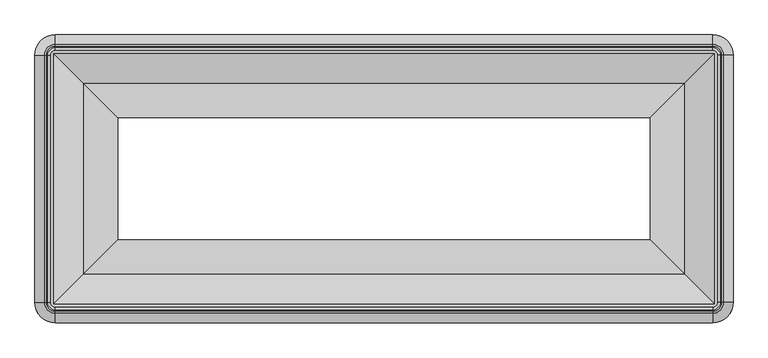
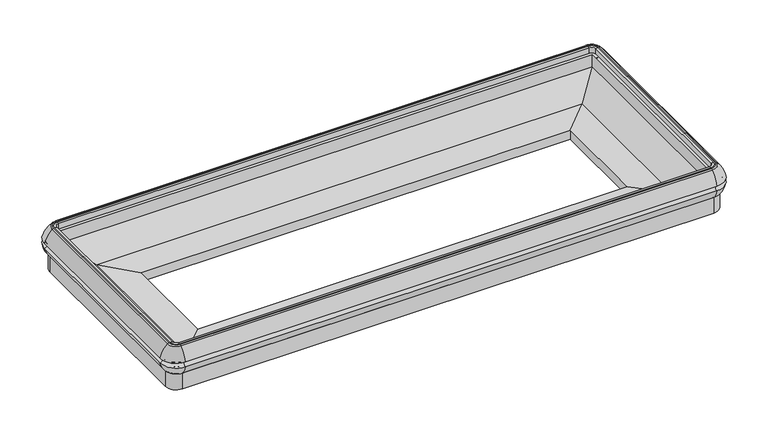
"""IFC4 building model written with IfcOpenShell, lengths in millimetres: proxy geometry."""

from ifc_helpers import new_model, si_unit, point, frame, origin, place, context, project, spatial, polyline, circle_curve, ellipse_curve, trimmed, faceted_brep, source, transform, mapped, element, save
from ifc_brep_helpers import plane_surface, cylinder_surface, revolved_surface, advanced_brep


def mechanical_equipment_985a748e(model_context):
    return source(origin(), model_context, "Body", "SolidModel", [
        advanced_brep(
        [(128.5372773, -1962.3625666, 567.3742005), (128.5372773, -1932.3707266, 504.5515988), (3773.5377227, -1932.3707266, 504.5515988), (3773.5377227, -1962.3625666, 567.3742005), (128.5372773, -1962.1829338, 602.1833335), (3773.5377227, -1962.1829338, 602.1833335), (128.5372773, -1911.1133562, 687.0906109), (3773.5377227, -1911.1133562, 687.0906109), (128.5372773, -1900.315694, 691.321886), (3773.5377227, -1900.315694, 691.321886), (128.5372773, -1877.2754027, 690.9584783), (128.5372773, -1890.77385, 691.321886), (3773.5377227, -1890.77385, 691.321886), (3773.5377227, -1877.2754027, 690.9584783), (128.5372773, -1877.2754027, 649.6873876), (3773.5377227, -1877.2754027, 649.6873876), (128.5372773, -1894.7830557, 530.05355), (128.5372773, -1894.7830557, 649.6873876), (3773.5377227, -1894.7830557, 649.6873876), (3773.5377227, -1894.7830557, 530.05355), (128.5372773, -1855.3824045, 502.405218), (3773.5377227, -1855.3824045, 502.405218), (128.5372773, -1927.6069109, 502.4019738), (3773.5377227, -1927.6069109, 502.4019738), (3886.6554393, -1849.24485, 567.3742005), (3856.6635993, -1849.24485, 504.5515988), (3886.4758065, -1849.24485, 602.1833335), (3835.4062289, -1849.24485, 687.0906109), (3824.6085667, -1849.24485, 691.321886), (3801.5682754, -1849.24485, 690.9584783), (3815.0667227, -1849.24485, 691.321886), (3801.5682754, -1849.24485, 649.6873876), (3819.0759284, -1849.24485, 530.05355), (3819.0759284, -1849.24485, 649.6873876), (3779.6752772, -1849.24485, 502.405218), (3851.8997836, -1849.24485, 502.4019738), (3856.6635993, -477.5444046, 504.5515988), (3886.6554393, -477.5444046, 567.3742005), (3886.4758065, -477.5444046, 602.1833335), (3835.4062289, -477.5444046, 687.0906109), (3824.6085667, -477.5444046, 691.321886), (3815.0667227, -477.5444046, 691.321886), (3801.5682754, -477.5444046, 690.9584783), (3801.5682754, -477.5444046, 649.6873876), (3819.0759284, -477.5444046, 649.6873876), (3819.0759284, -477.5444046, 530.05355), (3779.6752772, -477.5444046, 502.405218), (3851.8997836, -477.5444046, 502.4019738), (3773.5377227, -364.426688, 567.3742005), (3773.5377227, -394.418528, 504.5515988), (3773.5377227, -364.6063208, 602.1833335), (3773.5377227, -415.6758984, 687.0906109), (3773.5377227, -426.4735606, 691.321886), (3773.5377227, -449.5138519, 690.9584783), (3773.5377227, -436.0154046, 691.321886), (3773.5377227, -449.5138519, 649.6873876), (3773.5377227, -432.0061989, 530.05355), (3773.5377227, -432.0061989, 649.6873876), (3773.5377227, -471.4068501, 502.405218), (3773.5377227, -399.1823437, 502.4019738), (128.5372773, -394.418528, 504.5515988), (128.5372773, -364.426688, 567.3742005), (128.5372773, -364.6063208, 602.1833335), (128.5372773, -415.6758984, 687.0906109), (128.5372773, -426.4735606, 691.321886), (128.5372773, -436.0154046, 691.321886), (128.5372773, -449.5138519, 690.9584783), (128.5372773, -449.5138519, 649.6873876), (128.5372773, -432.0061989, 649.6873876), (128.5372773, -432.0061989, 530.05355), (128.5372773, -471.4068501, 502.405218), (128.5372773, -399.1823437, 502.4019738), (128.5372773, -1906.609561, 418.2976265), (128.5372773, -1906.609561, 502.405218), (3773.5377227, -1906.609561, 502.405218), (3773.5377227, -1906.609561, 418.2976265), (128.5372773, -1910.71285, 395.026718), (3773.5377227, -1910.71285, 395.026718), (128.5372773, -1910.71285, 384.485718), (3773.5377227, -1910.71285, 384.485718), (128.5372773, -1925.44485, 502.4019738), (128.5372773, -1925.44485, 384.485718), (3773.5377227, -1925.44485, 384.485718), (3773.5377227, -1925.44485, 502.4019738), (3830.9024337, -1849.24485, 418.2976265), (3830.9024337, -1849.24485, 502.405218), (3835.0057227, -1849.24485, 395.026718), (3835.0057227, -1849.24485, 384.485718), (3849.7377227, -1849.24485, 502.4019738), (3849.7377227, -1849.24485, 384.485718), (3830.9024337, -477.5444046, 502.405218), (3830.9024337, -477.5444046, 418.2976265), (3835.0057227, -477.5444046, 395.026718), (3835.0057227, -477.5444046, 384.485718), (3849.7377227, -477.5444046, 384.485718), (3849.7377227, -477.5444046, 502.4019738), (3773.5377227, -420.1796936, 418.2976265), (3773.5377227, -420.1796936, 502.405218), (3773.5377227, -416.0764046, 395.026718), (3773.5377227, -416.0764046, 384.485718), (3773.5377227, -401.3444046, 502.4019738), (3773.5377227, -401.3444046, 384.485718), (128.5372773, -420.1796936, 502.405218), (128.5372773, -420.1796936, 418.2976265), (128.5372773, -416.0764046, 395.026718), (128.5372773, -416.0764046, 384.485718), (128.5372773, -401.3444046, 384.485718), (128.5372773, -401.3444046, 502.4019738), (15.4195607, -477.5444046, 567.3742005), (45.4114007, -477.5444046, 504.5515988), (15.5991935, -477.5444046, 602.1833335), (66.6687711, -477.5444046, 687.0906109), (77.4664333, -477.5444046, 691.321886), (100.5067246, -477.5444046, 690.9584783), (87.0082773, -477.5444046, 691.321886), (100.5067246, -477.5444046, 649.6873876), (82.9990716, -477.5444046, 530.05355), (82.9990716, -477.5444046, 649.6873876), (122.3997228, -477.5444046, 502.405218), (71.1725663, -477.5444046, 418.2976265), (71.1725663, -477.5444046, 502.405218), (67.0692773, -477.5444046, 395.026718), (67.0692773, -477.5444046, 384.485718), (52.3372773, -477.5444046, 502.4019738), (52.3372773, -477.5444046, 384.485718), (50.1752164, -477.5444046, 502.4019738), (45.4114007, -1849.24485, 504.5515988), (15.4195607, -1849.24485, 567.3742005), (15.5991935, -1849.24485, 602.1833335), (66.6687711, -1849.24485, 687.0906109), (77.4664333, -1849.24485, 691.321886), (87.0082773, -1849.24485, 691.321886), (100.5067246, -1849.24485, 690.9584783), (100.5067246, -1849.24485, 649.6873876), (82.9990716, -1849.24485, 649.6873876), (82.9990716, -1849.24485, 530.05355), (122.3997228, -1849.24485, 502.405218), (71.1725663, -1849.24485, 502.405218), (71.1725663, -1849.24485, 418.2976265), (67.0692773, -1849.24485, 395.026718), (67.0692773, -1849.24485, 384.485718), (52.3372773, -1849.24485, 384.485718), (52.3372773, -1849.24485, 502.4019738), (50.1752164, -1849.24485, 502.4019738)],
        [
            (0, 1, circle_curve(frame((128.5372773, -1837.1426231, 588.5844274), z_axis=(1.0, 0.0, 0.0), x_axis=(0.0, 1.0, 0.0)), 127.0035747)),
            (1, 2),
            (2, 3, circle_curve(frame((3773.5377227, -1837.1426231, 588.5844274), z_axis=(-1.0, 0.0, 0.0), x_axis=(0.0, 1.0, 0.0)), 127.0035747)),
            (3, 0),
            (4, 0, circle_curve(frame((128.5372773, -1960.5572854, 584.7699144), z_axis=(-1.0, 0.0, 0.0), x_axis=(0.0, 1.0, 0.0)), 17.4891366)),
            (3, 5, circle_curve(frame((3773.5377227, -1960.5572854, 584.7699144), z_axis=(1.0, 0.0, 0.0), x_axis=(0.0, 1.0, 0.0)), 17.4891366)),
            (5, 4),
            (6, 4, circle_curve(frame((128.5372773, -1790.3001749, 556.6123735), z_axis=(1.0, 0.0, 0.0), x_axis=(0.0, 1.0, 0.0)), 177.8212451)),
            (5, 7, circle_curve(frame((3773.5377227, -1790.3001749, 556.6123735), z_axis=(-1.0, 0.0, 0.0), x_axis=(0.0, 1.0, 0.0)), 177.8212451)),
            (7, 6),
            (8, 6, circle_curve(frame((128.5372773, -1900.315694, 675.4291356), z_axis=(1.0, 0.0, 0.0), x_axis=(0.0, 1.0, 0.0)), 15.8927504)),
            (7, 9, circle_curve(frame((3773.5377227, -1900.315694, 675.4291356), z_axis=(-1.0, 0.0, 0.0), x_axis=(0.0, 1.0, 0.0)), 15.8927504)),
            (9, 8),
            (10, 11),
            (11, 12),
            (12, 13),
            (13, 10),
            (14, 10),
            (13, 15),
            (15, 14),
            (16, 17),
            (17, 18),
            (18, 19),
            (19, 16),
            (20, 16),
            (19, 21),
            (21, 20),
            (1, 22, circle_curve(frame((128.5372773, -1927.6069109, 508.7553674), z_axis=(1.0, 0.0, 0.0), x_axis=(0.0, 1.0, 0.0)), 6.3533936)),
            (22, 23),
            (23, 2, circle_curve(frame((3773.5377227, -1927.6069109, 508.7553674), z_axis=(-1.0, 0.0, 0.0), x_axis=(0.0, 1.0, 0.0)), 6.3533936)),
            (24, 3, circle_curve(frame((3773.5377227, -1849.24485, 567.3742005), z_axis=(0.0, 0.0, -1.0), x_axis=(0.0, -1.0, 0.0)), 113.1177166)),
            (2, 25, circle_curve(frame((3773.5377227, -1849.24485, 504.5515988), z_axis=(0.0, 0.0, 1.0), x_axis=(0.0, -1.0, 0.0)), 83.1258766)),
            (25, 24, circle_curve(frame((3761.4354958, -1849.24485, 588.5844274), z_axis=(0.0, -1.0, 0.0), x_axis=(-1.0, 0.0, 0.0)), 127.0035747)),
            (26, 5, circle_curve(frame((3773.5377227, -1849.24485, 602.1833335), z_axis=(0.0, 0.0, -1.0), x_axis=(0.0, -1.0, 0.0)), 112.9380838)),
            (24, 26, circle_curve(frame((3884.8501581, -1849.24485, 584.7699144), z_axis=(0.0, 1.0, 0.0), x_axis=(-1.0, 0.0, 0.0)), 17.4891366)),
            (27, 7, circle_curve(frame((3773.5377227, -1849.24485, 687.0906109), z_axis=(0.0, 0.0, -1.0), x_axis=(0.0, -1.0, 0.0)), 61.8685062)),
            (26, 27, circle_curve(frame((3714.5930476, -1849.24485, 556.6123735), z_axis=(0.0, -1.0, 0.0), x_axis=(-1.0, 0.0, 0.0)), 177.8212451)),
            (28, 9, circle_curve(frame((3773.5377227, -1849.24485, 691.321886), z_axis=(0.0, 0.0, -1.0), x_axis=(0.0, -1.0, 0.0)), 51.070844)),
            (27, 28, circle_curve(frame((3824.6085667, -1849.24485, 675.4291356), z_axis=(0.0, -1.0, 0.0), x_axis=(-1.0, 0.0, 0.0)), 15.8927504)),
            (29, 13, circle_curve(frame((3773.5377227, -1849.24485, 690.9584783), z_axis=(0.0, 0.0, -1.0), x_axis=(0.0, -1.0, 0.0)), 28.0305527)),
            (12, 30, circle_curve(frame((3773.5377227, -1849.24485, 691.321886), z_axis=(0.0, 0.0, 1.0), x_axis=(0.0, -1.0, 0.0)), 41.529)),
            (30, 29),
            (31, 15, circle_curve(frame((3773.5377227, -1849.24485, 649.6873876), z_axis=(0.0, 0.0, -1.0), x_axis=(0.0, -1.0, 0.0)), 28.0305527)),
            (29, 31),
            (32, 19, circle_curve(frame((3773.5377227, -1849.24485, 530.05355), z_axis=(0.0, 0.0, -1.0), x_axis=(0.0, -1.0, 0.0)), 45.5382057)),
            (18, 33, circle_curve(frame((3773.5377227, -1849.24485, 649.6873876), z_axis=(0.0, 0.0, 1.0), x_axis=(0.0, -1.0, 0.0)), 45.5382057)),
            (33, 32),
            (34, 21, circle_curve(frame((3773.5377227, -1849.24485, 502.405218), z_axis=(0.0, 0.0, -1.0), x_axis=(0.0, -1.0, 0.0)), 6.1375545)),
            (32, 34),
            (23, 35, circle_curve(frame((3773.5377227, -1849.24485, 502.4019738), z_axis=(0.0, 0.0, 1.0), x_axis=(0.0, -1.0, 0.0)), 78.3620609)),
            (35, 25, circle_curve(frame((3851.8997836, -1849.24485, 508.7553674), z_axis=(0.0, -1.0, 0.0), x_axis=(-1.0, 0.0, 0.0)), 6.3533936)),
            (25, 36),
            (36, 37, circle_curve(frame((3761.4354958, -477.5444046, 588.5844274), z_axis=(0.0, -1.0, 0.0), x_axis=(-1.0, 0.0, 0.0)), 127.0035747)),
            (37, 24),
            (37, 38, circle_curve(frame((3884.8501581, -477.5444046, 584.7699144), z_axis=(0.0, 1.0, 0.0), x_axis=(-1.0, 0.0, 0.0)), 17.4891366)),
            (38, 26),
            (38, 39, circle_curve(frame((3714.5930476, -477.5444046, 556.6123735), z_axis=(0.0, -1.0, 0.0), x_axis=(-1.0, 0.0, 0.0)), 177.8212451)),
            (39, 27),
            (39, 40, circle_curve(frame((3824.6085667, -477.5444046, 675.4291356), z_axis=(0.0, -1.0, 0.0), x_axis=(-1.0, 0.0, 0.0)), 15.8927504)),
            (40, 28),
            (30, 41),
            (41, 42),
            (42, 29),
            (42, 43),
            (43, 31),
            (33, 44),
            (44, 45),
            (45, 32),
            (45, 46),
            (46, 34),
            (35, 47),
            (47, 36, circle_curve(frame((3851.8997836, -477.5444046, 508.7553674), z_axis=(0.0, -1.0, 0.0), x_axis=(-1.0, 0.0, 0.0)), 6.3533936)),
            (48, 37, circle_curve(frame((3773.5377227, -477.5444046, 567.3742005), z_axis=(0.0, 0.0, -1.0), x_axis=(1.0, 0.0, 0.0)), 113.1177166)),
            (36, 49, circle_curve(frame((3773.5377227, -477.5444046, 504.5515988), z_axis=(0.0, 0.0, 1.0), x_axis=(1.0, 0.0, 0.0)), 83.1258766)),
            (49, 48, circle_curve(frame((3773.5377227, -489.6466315, 588.5844274), z_axis=(1.0, 0.0, 0.0), x_axis=(0.0, -1.0, 0.0)), 127.0035747)),
            (50, 38, circle_curve(frame((3773.5377227, -477.5444046, 602.1833335), z_axis=(0.0, 0.0, -1.0), x_axis=(1.0, 0.0, 0.0)), 112.9380838)),
            (48, 50, circle_curve(frame((3773.5377227, -366.2319692, 584.7699144), z_axis=(-1.0, 0.0, 0.0), x_axis=(0.0, -1.0, 0.0)), 17.4891366)),
            (51, 39, circle_curve(frame((3773.5377227, -477.5444046, 687.0906109), z_axis=(0.0, 0.0, -1.0), x_axis=(1.0, 0.0, 0.0)), 61.8685062)),
            (50, 51, circle_curve(frame((3773.5377227, -536.4890797, 556.6123735), z_axis=(1.0, 0.0, 0.0), x_axis=(0.0, -1.0, 0.0)), 177.8212451)),
            (52, 40, circle_curve(frame((3773.5377227, -477.5444046, 691.321886), z_axis=(0.0, 0.0, -1.0), x_axis=(1.0, 0.0, 0.0)), 51.070844)),
            (51, 52, circle_curve(frame((3773.5377227, -426.4735606, 675.4291356), z_axis=(1.0, 0.0, 0.0), x_axis=(0.0, -1.0, 0.0)), 15.8927504)),
            (53, 42, circle_curve(frame((3773.5377227, -477.5444046, 690.9584783), z_axis=(0.0, 0.0, -1.0), x_axis=(1.0, 0.0, 0.0)), 28.0305527)),
            (41, 54, circle_curve(frame((3773.5377227, -477.5444046, 691.321886), z_axis=(0.0, 0.0, 1.0), x_axis=(1.0, 0.0, 0.0)), 41.529)),
            (54, 53),
            (55, 43, circle_curve(frame((3773.5377227, -477.5444046, 649.6873876), z_axis=(0.0, 0.0, -1.0), x_axis=(1.0, 0.0, 0.0)), 28.0305527)),
            (53, 55),
            (56, 45, circle_curve(frame((3773.5377227, -477.5444046, 530.05355), z_axis=(0.0, 0.0, -1.0), x_axis=(1.0, 0.0, 0.0)), 45.5382057)),
            (44, 57, circle_curve(frame((3773.5377227, -477.5444046, 649.6873876), z_axis=(0.0, 0.0, 1.0), x_axis=(1.0, 0.0, 0.0)), 45.5382057)),
            (57, 56),
            (58, 46, circle_curve(frame((3773.5377227, -477.5444046, 502.405218), z_axis=(0.0, 0.0, -1.0), x_axis=(1.0, 0.0, 0.0)), 6.1375545)),
            (56, 58),
            (47, 59, circle_curve(frame((3773.5377227, -477.5444046, 502.4019738), z_axis=(0.0, 0.0, 1.0), x_axis=(1.0, 0.0, 0.0)), 78.3620609)),
            (59, 49, circle_curve(frame((3773.5377227, -399.1823437, 508.7553674), z_axis=(1.0, 0.0, 0.0), x_axis=(0.0, -1.0, 0.0)), 6.3533936)),
            (49, 60),
            (60, 61, circle_curve(frame((128.5372773, -489.6466315, 588.5844274), z_axis=(1.0, 0.0, 0.0), x_axis=(0.0, -1.0, 0.0)), 127.0035747)),
            (61, 48),
            (61, 62, circle_curve(frame((128.5372773, -366.2319692, 584.7699144), z_axis=(-1.0, 0.0, 0.0), x_axis=(0.0, -1.0, 0.0)), 17.4891366)),
            (62, 50),
            (62, 63, circle_curve(frame((128.5372773, -536.4890797, 556.6123735), z_axis=(1.0, 0.0, 0.0), x_axis=(0.0, -1.0, 0.0)), 177.8212451)),
            (63, 51),
            (63, 64, circle_curve(frame((128.5372773, -426.4735606, 675.4291356), z_axis=(1.0, 0.0, 0.0), x_axis=(0.0, -1.0, 0.0)), 15.8927504)),
            (64, 52),
            (54, 65),
            (65, 66),
            (66, 53),
            (66, 67),
            (67, 55),
            (57, 68),
            (68, 69),
            (69, 56),
            (69, 70),
            (70, 58),
            (59, 71),
            (71, 60, circle_curve(frame((128.5372773, -399.1823437, 508.7553674), z_axis=(1.0, 0.0, 0.0), x_axis=(0.0, -1.0, 0.0)), 6.3533936)),
            (72, 73),
            (73, 74),
            (74, 75),
            (75, 72),
            (76, 72),
            (75, 77),
            (77, 76),
            (78, 76),
            (77, 79),
            (79, 78),
            (80, 81),
            (81, 82),
            (82, 83),
            (83, 80),
            (84, 75, circle_curve(frame((3773.5377227, -1849.24485, 418.2976265), z_axis=(0.0, 0.0, -1.0), x_axis=(0.0, -1.0, 0.0)), 57.364711)),
            (74, 85, circle_curve(frame((3773.5377227, -1849.24485, 502.405218), z_axis=(0.0, 0.0, 1.0), x_axis=(0.0, -1.0, 0.0)), 57.364711)),
            (85, 84),
            (86, 77, circle_curve(frame((3773.5377227, -1849.24485, 395.026718), z_axis=(0.0, 0.0, -1.0), x_axis=(0.0, -1.0, 0.0)), 61.468)),
            (84, 86),
            (87, 79, circle_curve(frame((3773.5377227, -1849.24485, 384.485718), z_axis=(0.0, 0.0, -1.0), x_axis=(0.0, -1.0, 0.0)), 61.468)),
            (86, 87),
            (88, 83, circle_curve(frame((3773.5377227, -1849.24485, 502.4019738), z_axis=(0.0, 0.0, -1.0), x_axis=(0.0, -1.0, 0.0)), 76.2)),
            (82, 89, circle_curve(frame((3773.5377227, -1849.24485, 384.485718), z_axis=(0.0, 0.0, 1.0), x_axis=(0.0, -1.0, 0.0)), 76.2)),
            (89, 88),
            (85, 90),
            (90, 91),
            (91, 84),
            (91, 92),
            (92, 86),
            (92, 93),
            (93, 87),
            (89, 94),
            (94, 95),
            (95, 88),
            (96, 91, circle_curve(frame((3773.5377227, -477.5444046, 418.2976265), z_axis=(0.0, 0.0, -1.0), x_axis=(1.0, 0.0, 0.0)), 57.364711)),
            (90, 97, circle_curve(frame((3773.5377227, -477.5444046, 502.405218), z_axis=(0.0, 0.0, 1.0), x_axis=(1.0, 0.0, 0.0)), 57.364711)),
            (97, 96),
            (98, 92, circle_curve(frame((3773.5377227, -477.5444046, 395.026718), z_axis=(0.0, 0.0, -1.0), x_axis=(1.0, 0.0, 0.0)), 61.468)),
            (96, 98),
            (99, 93, circle_curve(frame((3773.5377227, -477.5444046, 384.485718), z_axis=(0.0, 0.0, -1.0), x_axis=(1.0, 0.0, 0.0)), 61.468)),
            (98, 99),
            (100, 95, circle_curve(frame((3773.5377227, -477.5444046, 502.4019738), z_axis=(0.0, 0.0, -1.0), x_axis=(1.0, 0.0, 0.0)), 76.2)),
            (94, 101, circle_curve(frame((3773.5377227, -477.5444046, 384.485718), z_axis=(0.0, 0.0, 1.0), x_axis=(1.0, 0.0, 0.0)), 76.2)),
            (101, 100),
            (97, 102),
            (102, 103),
            (103, 96),
            (103, 104),
            (104, 98),
            (104, 105),
            (105, 99),
            (101, 106),
            (106, 107),
            (107, 100),
            (108, 61, circle_curve(frame((128.5372773, -477.5444046, 567.3742005), z_axis=(0.0, 0.0, -1.0), x_axis=(0.0, 1.0, 0.0)), 113.1177166)),
            (60, 109, circle_curve(frame((128.5372773, -477.5444046, 504.5515988), z_axis=(0.0, 0.0, 1.0), x_axis=(0.0, 1.0, 0.0)), 83.1258766)),
            (109, 108, circle_curve(frame((140.6395042, -477.5444046, 588.5844274), z_axis=(0.0, 1.0, 0.0), x_axis=(1.0, 0.0, 0.0)), 127.0035747)),
            (110, 62, circle_curve(frame((128.5372773, -477.5444046, 602.1833335), z_axis=(0.0, 0.0, -1.0), x_axis=(0.0, 1.0, 0.0)), 112.9380838)),
            (108, 110, circle_curve(frame((17.2248419, -477.5444046, 584.7699144), z_axis=(0.0, -1.0, 0.0), x_axis=(1.0, 0.0, 0.0)), 17.4891366)),
            (111, 63, circle_curve(frame((128.5372773, -477.5444046, 687.0906109), z_axis=(0.0, 0.0, -1.0), x_axis=(0.0, 1.0, 0.0)), 61.8685062)),
            (110, 111, circle_curve(frame((187.4819524, -477.5444046, 556.6123735), z_axis=(0.0, 1.0, 0.0), x_axis=(1.0, 0.0, 0.0)), 177.8212451)),
            (112, 64, circle_curve(frame((128.5372773, -477.5444046, 691.321886), z_axis=(0.0, 0.0, -1.0), x_axis=(0.0, 1.0, 0.0)), 51.070844)),
            (111, 112, circle_curve(frame((77.4664333, -477.5444046, 675.4291356), z_axis=(0.0, 1.0, 0.0), x_axis=(1.0, 0.0, 0.0)), 15.8927504)),
            (113, 66, circle_curve(frame((128.5372773, -477.5444046, 690.9584783), z_axis=(0.0, 0.0, -1.0), x_axis=(0.0, 1.0, 0.0)), 28.0305527)),
            (65, 114, circle_curve(frame((128.5372773, -477.5444046, 691.321886), z_axis=(0.0, 0.0, 1.0), x_axis=(0.0, 1.0, 0.0)), 41.529)),
            (114, 113),
            (115, 67, circle_curve(frame((128.5372773, -477.5444046, 649.6873876), z_axis=(0.0, 0.0, -1.0), x_axis=(0.0, 1.0, 0.0)), 28.0305527)),
            (113, 115),
            (116, 69, circle_curve(frame((128.5372773, -477.5444046, 530.05355), z_axis=(0.0, 0.0, -1.0), x_axis=(0.0, 1.0, 0.0)), 45.5382057)),
            (68, 117, circle_curve(frame((128.5372773, -477.5444046, 649.6873876), z_axis=(0.0, 0.0, 1.0), x_axis=(0.0, 1.0, 0.0)), 45.5382057)),
            (117, 116),
            (118, 70, circle_curve(frame((128.5372773, -477.5444046, 502.405218), z_axis=(0.0, 0.0, -1.0), x_axis=(0.0, 1.0, 0.0)), 6.1375545)),
            (116, 118),
            (119, 103, circle_curve(frame((128.5372773, -477.5444046, 418.2976265), z_axis=(0.0, 0.0, -1.0), x_axis=(0.0, 1.0, 0.0)), 57.364711)),
            (102, 120, circle_curve(frame((128.5372773, -477.5444046, 502.405218), z_axis=(0.0, 0.0, 1.0), x_axis=(0.0, 1.0, 0.0)), 57.364711)),
            (120, 119),
            (121, 104, circle_curve(frame((128.5372773, -477.5444046, 395.026718), z_axis=(0.0, 0.0, -1.0), x_axis=(0.0, 1.0, 0.0)), 61.468)),
            (119, 121),
            (122, 105, circle_curve(frame((128.5372773, -477.5444046, 384.485718), z_axis=(0.0, 0.0, -1.0), x_axis=(0.0, 1.0, 0.0)), 61.468)),
            (121, 122),
            (123, 107, circle_curve(frame((128.5372773, -477.5444046, 502.4019738), z_axis=(0.0, 0.0, -1.0), x_axis=(0.0, 1.0, 0.0)), 76.2)),
            (106, 124, circle_curve(frame((128.5372773, -477.5444046, 384.485718), z_axis=(0.0, 0.0, 1.0), x_axis=(0.0, 1.0, 0.0)), 76.2)),
            (124, 123),
            (71, 125, circle_curve(frame((128.5372773, -477.5444046, 502.4019738), z_axis=(0.0, 0.0, 1.0), x_axis=(0.0, 1.0, 0.0)), 78.3620609)),
            (125, 109, circle_curve(frame((50.1752164, -477.5444046, 508.7553674), z_axis=(0.0, 1.0, 0.0), x_axis=(1.0, 0.0, 0.0)), 6.3533936)),
            (109, 126),
            (126, 127, circle_curve(frame((140.6395042, -1849.24485, 588.5844274), z_axis=(0.0, 1.0, 0.0), x_axis=(1.0, 0.0, 0.0)), 127.0035747)),
            (127, 108),
            (127, 128, circle_curve(frame((17.2248419, -1849.24485, 584.7699144), z_axis=(0.0, -1.0, 0.0), x_axis=(1.0, 0.0, 0.0)), 17.4891366)),
            (128, 110),
            (128, 129, circle_curve(frame((187.4819524, -1849.24485, 556.6123735), z_axis=(0.0, 1.0, 0.0), x_axis=(1.0, 0.0, 0.0)), 177.8212451)),
            (129, 111),
            (129, 130, circle_curve(frame((77.4664333, -1849.24485, 675.4291356), z_axis=(0.0, 1.0, 0.0), x_axis=(1.0, 0.0, 0.0)), 15.8927504)),
            (130, 112),
            (114, 131),
            (131, 132),
            (132, 113),
            (132, 133),
            (133, 115),
            (117, 134),
            (134, 135),
            (135, 116),
            (135, 136),
            (136, 118),
            (120, 137),
            (137, 138),
            (138, 119),
            (138, 139),
            (139, 121),
            (139, 140),
            (140, 122),
            (124, 141),
            (141, 142),
            (142, 123),
            (125, 143),
            (143, 126, circle_curve(frame((50.1752164, -1849.24485, 508.7553674), z_axis=(0.0, 1.0, 0.0), x_axis=(1.0, 0.0, 0.0)), 6.3533936)),
            (0, 127, circle_curve(frame((128.5372773, -1849.24485, 567.3742005), z_axis=(0.0, 0.0, -1.0), x_axis=(-1.0, 0.0, 0.0)), 113.1177166)),
            (126, 1, circle_curve(frame((128.5372773, -1849.24485, 504.5515988), z_axis=(0.0, 0.0, 1.0), x_axis=(-1.0, 0.0, 0.0)), 83.1258766)),
            (4, 128, circle_curve(frame((128.5372773, -1849.24485, 602.1833335), z_axis=(0.0, 0.0, -1.0), x_axis=(-1.0, 0.0, 0.0)), 112.9380838)),
            (6, 129, circle_curve(frame((128.5372773, -1849.24485, 687.0906109), z_axis=(0.0, 0.0, -1.0), x_axis=(-1.0, 0.0, 0.0)), 61.8685062)),
            (8, 130, circle_curve(frame((128.5372773, -1849.24485, 691.321886), z_axis=(0.0, 0.0, -1.0), x_axis=(-1.0, 0.0, 0.0)), 51.070844)),
            (11, 131, circle_curve(frame((128.5372773, -1849.24485, 691.321886), z_axis=(0.0, 0.0, -1.0), x_axis=(-1.0, 0.0, 0.0)), 41.529)),
            (10, 132, circle_curve(frame((128.5372773, -1849.24485, 690.9584783), z_axis=(0.0, 0.0, -1.0), x_axis=(-1.0, 0.0, 0.0)), 28.0305527)),
            (14, 133, circle_curve(frame((128.5372773, -1849.24485, 649.6873876), z_axis=(0.0, 0.0, -1.0), x_axis=(-1.0, 0.0, 0.0)), 28.0305527)),
            (17, 134, circle_curve(frame((128.5372773, -1849.24485, 649.6873876), z_axis=(0.0, 0.0, -1.0), x_axis=(-1.0, 0.0, 0.0)), 45.5382057)),
            (16, 135, circle_curve(frame((128.5372773, -1849.24485, 530.05355), z_axis=(0.0, 0.0, -1.0), x_axis=(-1.0, 0.0, 0.0)), 45.5382057)),
            (20, 136, circle_curve(frame((128.5372773, -1849.24485, 502.405218), z_axis=(0.0, 0.0, -1.0), x_axis=(-1.0, 0.0, 0.0)), 6.1375545)),
            (73, 137, circle_curve(frame((128.5372773, -1849.24485, 502.405218), z_axis=(0.0, 0.0, -1.0), x_axis=(-1.0, 0.0, 0.0)), 57.364711)),
            (72, 138, circle_curve(frame((128.5372773, -1849.24485, 418.2976265), z_axis=(0.0, 0.0, -1.0), x_axis=(-1.0, 0.0, 0.0)), 57.364711)),
            (76, 139, circle_curve(frame((128.5372773, -1849.24485, 395.026718), z_axis=(0.0, 0.0, -1.0), x_axis=(-1.0, 0.0, 0.0)), 61.468)),
            (78, 140, circle_curve(frame((128.5372773, -1849.24485, 384.485718), z_axis=(0.0, 0.0, -1.0), x_axis=(-1.0, 0.0, 0.0)), 61.468)),
            (81, 141, circle_curve(frame((128.5372773, -1849.24485, 384.485718), z_axis=(0.0, 0.0, -1.0), x_axis=(-1.0, 0.0, 0.0)), 76.2)),
            (80, 142, circle_curve(frame((128.5372773, -1849.24485, 502.4019738), z_axis=(0.0, 0.0, -1.0), x_axis=(-1.0, 0.0, 0.0)), 76.2)),
            (22, 143, circle_curve(frame((128.5372773, -1849.24485, 502.4019738), z_axis=(0.0, 0.0, -1.0), x_axis=(-1.0, 0.0, 0.0)), 78.3620609)),
        ],
        [
            cylinder_surface(frame((128.5372773, -1837.1426231, 588.5844274), z_axis=(-1.0, 0.0, 0.0), x_axis=(0.0, 1.0, 0.0)), 127.0035747),
            revolved_surface(polyline([(3773.5377227, -1943.0681488, 584.7699144), (128.5372773, -1943.0681488, 584.7699144)]), (128.5372773, -1960.5572854, 584.7699144), (1.0, 0.0, 0.0)),
            cylinder_surface(frame((128.5372773, -1790.3001749, 556.6123735), z_axis=(-1.0, 0.0, 0.0), x_axis=(0.0, 1.0, 0.0)), 177.8212451),
            cylinder_surface(frame((128.5372773, -1900.315694, 675.4291356), z_axis=(-1.0, 0.0, 0.0), x_axis=(0.0, 1.0, 0.0)), 15.8927504),
            plane_surface(frame((128.5372773, -1890.77385, 691.321886), z_axis=(0.0, 0.026912433548100627, 0.9996377948639793), x_axis=(1.0, 0.0, 0.0))),
            plane_surface(frame((128.5372773, -1877.2754027, 690.9584783), z_axis=(0.0, 1.0, 0.0), x_axis=(1.0, 0.0, 0.0))),
            plane_surface(frame((128.5372773, -1894.7830557, 649.6873876), z_axis=(0.0, 1.0, 0.0), x_axis=(1.0, 0.0, 0.0))),
            plane_surface(frame((128.5372773, -1894.7830557, 530.05355), z_axis=(0.0, 0.574408378166725, 0.818568882313439), x_axis=(1.0, 0.0, 0.0))),
            cylinder_surface(frame((128.5372773, -1927.6069109, 508.7553674), z_axis=(-1.0, 0.0, 0.0), x_axis=(0.0, 1.0, 0.0)), 6.3533936),
            revolved_surface(trimmed(ellipse_curve(frame((3773.5377227, -1837.1426231, 588.5844274), z_axis=(-1.0, 0.0, 0.0), x_axis=(0.0, 1.0, 0.0)), 127.0035747, 127.0035747), [point((3773.5377227, -1932.3707266, 504.5515988))], [point((3773.5377227, -1962.3625666, 567.3742005))], True, "CARTESIAN"), (3773.5377227, -1849.24485, 0.0), (0.0, 0.0, 1.0)),
            revolved_surface(trimmed(ellipse_curve(frame((3773.5377227, -1960.5572854, 584.7699144), z_axis=(1.0, 0.0, 0.0), x_axis=(0.0, 1.0, 0.0)), 17.4891366, 17.4891366), [point((3773.5377227, -1962.3625666, 567.3742005))], [point((3773.5377227, -1962.1829338, 602.1833335))], True, "CARTESIAN"), (3773.5377227, -1849.24485, 0.0), (0.0, 0.0, 1.0)),
            revolved_surface(trimmed(ellipse_curve(frame((3773.5377227, -1790.3001749, 556.6123735), z_axis=(-1.0, 0.0, 0.0), x_axis=(0.0, 1.0, 0.0)), 177.8212451, 177.8212451), [point((3773.5377227, -1962.1829338, 602.1833335))], [point((3773.5377227, -1911.1133562, 687.0906109))], True, "CARTESIAN"), (3773.5377227, -1849.24485, 0.0), (0.0, 0.0, 1.0)),
            revolved_surface(trimmed(ellipse_curve(frame((3773.5377227, -1900.315694, 675.4291356), z_axis=(-1.0, 0.0, 0.0), x_axis=(0.0, 1.0, 0.0)), 15.8927504, 15.8927504), [point((3773.5377227, -1911.1133562, 687.0906109))], [point((3773.5377227, -1900.315694, 691.321886))], True, "CARTESIAN"), (3773.5377227, -1849.24485, 0.0), (0.0, 0.0, 1.0)),
            revolved_surface(polyline([(3773.5377227, -1890.77385, 691.321886), (3773.5377227, -1877.2754027, 690.9584783)]), (3773.5377227, -1849.24485, 0.0), (0.0, 0.0, 1.0)),
            revolved_surface(polyline([(3773.5377227, -1877.2754027, 690.9584783), (3773.5377227, -1877.2754027, 649.6873876)]), (3773.5377227, -1849.24485, 0.0), (0.0, 0.0, 1.0)),
            revolved_surface(polyline([(3773.5377227, -1894.7830557, 649.6873876), (3773.5377227, -1894.7830557, 530.05355)]), (3773.5377227, -1849.24485, 0.0), (0.0, 0.0, 1.0)),
            revolved_surface(polyline([(3773.5377227, -1894.7830557, 530.05355), (3773.5377227, -1855.3824045, 502.405218)]), (3773.5377227, -1849.24485, 0.0), (0.0, 0.0, 1.0)),
            revolved_surface(trimmed(ellipse_curve(frame((3773.5377227, -1927.6069109, 508.7553674), z_axis=(-1.0, 0.0, 0.0), x_axis=(0.0, 1.0, 0.0)), 6.3533936, 6.3533936), [point((3773.5377227, -1927.6069109, 502.4019738))], [point((3773.5377227, -1932.3707266, 504.5515988))], True, "CARTESIAN"), (3773.5377227, -1849.24485, 0.0), (0.0, 0.0, 1.0)),
            cylinder_surface(frame((3761.4354958, -1849.24485, 588.5844274), z_axis=(0.0, -1.0, 0.0), x_axis=(-1.0, 0.0, 0.0)), 127.0035747),
            revolved_surface(polyline([(3867.3610215, -477.5444046, 584.7699144), (3867.3610215, -1849.24485, 584.7699144)]), (3884.8501581, -1849.24485, 584.7699144), (0.0, 1.0, 0.0)),
            cylinder_surface(frame((3714.5930476, -1849.24485, 556.6123735), z_axis=(0.0, -1.0, 0.0), x_axis=(-1.0, 0.0, 0.0)), 177.8212451),
            cylinder_surface(frame((3824.6085667, -1849.24485, 675.4291356), z_axis=(0.0, -1.0, 0.0), x_axis=(-1.0, 0.0, 0.0)), 15.8927504),
            plane_surface(frame((3815.0667227, -1849.24485, 691.321886), z_axis=(-0.026912433548100627, 0.0, 0.9996377948639793), x_axis=(0.0, 1.0, 0.0))),
            plane_surface(frame((3801.5682754, -1849.24485, 690.9584783), z_axis=(-1.0, 0.0, 0.0), x_axis=(0.0, 1.0, 0.0))),
            plane_surface(frame((3819.0759284, -1849.24485, 649.6873876), z_axis=(-1.0, 0.0, 0.0), x_axis=(0.0, 1.0, 0.0))),
            plane_surface(frame((3819.0759284, -1849.24485, 530.05355), z_axis=(-0.574408378166725, 0.0, 0.818568882313439), x_axis=(0.0, 1.0, 0.0))),
            cylinder_surface(frame((3851.8997836, -1849.24485, 508.7553674), z_axis=(0.0, -1.0, 0.0), x_axis=(-1.0, 0.0, 0.0)), 6.3533936),
            revolved_surface(trimmed(ellipse_curve(frame((3761.4354958, -477.5444046, 588.5844274), z_axis=(0.0, -1.0, 0.0), x_axis=(-1.0, 0.0, 0.0)), 127.0035747, 127.0035747), [point((3856.6635993, -477.5444046, 504.5515988))], [point((3886.6554393, -477.5444046, 567.3742005))], True, "CARTESIAN"), (3773.5377227, -477.5444046, 0.0), (0.0, 0.0, 1.0)),
            revolved_surface(trimmed(ellipse_curve(frame((3884.8501581, -477.5444046, 584.7699144), z_axis=(0.0, 1.0, 0.0), x_axis=(-1.0, 0.0, 0.0)), 17.4891366, 17.4891366), [point((3886.6554393, -477.5444046, 567.3742005))], [point((3886.4758065, -477.5444046, 602.1833335))], True, "CARTESIAN"), (3773.5377227, -477.5444046, 0.0), (0.0, 0.0, 1.0)),
            revolved_surface(trimmed(ellipse_curve(frame((3714.5930476, -477.5444046, 556.6123735), z_axis=(0.0, -1.0, 0.0), x_axis=(-1.0, 0.0, 0.0)), 177.8212451, 177.8212451), [point((3886.4758065, -477.5444046, 602.1833335))], [point((3835.4062289, -477.5444046, 687.0906109))], True, "CARTESIAN"), (3773.5377227, -477.5444046, 0.0), (0.0, 0.0, 1.0)),
            revolved_surface(trimmed(ellipse_curve(frame((3824.6085667, -477.5444046, 675.4291356), z_axis=(0.0, -1.0, 0.0), x_axis=(-1.0, 0.0, 0.0)), 15.8927504, 15.8927504), [point((3835.4062289, -477.5444046, 687.0906109))], [point((3824.6085667, -477.5444046, 691.321886))], True, "CARTESIAN"), (3773.5377227, -477.5444046, 0.0), (0.0, 0.0, 1.0)),
            revolved_surface(polyline([(3815.0667227, -477.5444046, 691.321886), (3801.5682754, -477.5444046, 690.9584783)]), (3773.5377227, -477.5444046, 0.0), (0.0, 0.0, 1.0)),
            revolved_surface(polyline([(3801.5682754, -477.5444046, 690.9584783), (3801.5682754, -477.5444046, 649.6873876)]), (3773.5377227, -477.5444046, 0.0), (0.0, 0.0, 1.0)),
            revolved_surface(polyline([(3819.0759284, -477.5444046, 649.6873876), (3819.0759284, -477.5444046, 530.05355)]), (3773.5377227, -477.5444046, 0.0), (0.0, 0.0, 1.0)),
            revolved_surface(polyline([(3819.0759284, -477.5444046, 530.05355), (3779.6752772, -477.5444046, 502.405218)]), (3773.5377227, -477.5444046, 0.0), (0.0, 0.0, 1.0)),
            revolved_surface(trimmed(ellipse_curve(frame((3851.8997836, -477.5444046, 508.7553674), z_axis=(0.0, -1.0, 0.0), x_axis=(-1.0, 0.0, 0.0)), 6.3533936, 6.3533936), [point((3851.8997836, -477.5444046, 502.4019738))], [point((3856.6635993, -477.5444046, 504.5515988))], True, "CARTESIAN"), (3773.5377227, -477.5444046, 0.0), (0.0, 0.0, 1.0)),
            cylinder_surface(frame((3773.5377227, -489.6466315, 588.5844274), z_axis=(1.0, 0.0, 0.0), x_axis=(0.0, -1.0, 0.0)), 127.0035747),
            revolved_surface(polyline([(128.53727729999991, -383.7211058, 584.7699144), (3773.5377227, -383.7211058, 584.7699144)]), (3773.5377227, -366.2319692, 584.7699144), (-1.0, 0.0, 0.0)),
            cylinder_surface(frame((3773.5377227, -536.4890797, 556.6123735), z_axis=(1.0, 0.0, 0.0), x_axis=(0.0, -1.0, 0.0)), 177.8212451),
            cylinder_surface(frame((3773.5377227, -426.4735606, 675.4291356), z_axis=(1.0, 0.0, 0.0), x_axis=(0.0, -1.0, 0.0)), 15.8927504),
            plane_surface(frame((3773.5377227, -436.0154046, 691.321886), z_axis=(0.0, -0.026912433548100627, 0.9996377948639793), x_axis=(-1.0, 0.0, 0.0))),
            plane_surface(frame((3773.5377227, -449.5138519, 690.9584783), z_axis=(0.0, -1.0, 0.0), x_axis=(-1.0, 0.0, 0.0))),
            plane_surface(frame((3773.5377227, -432.0061989, 649.6873876), z_axis=(0.0, -1.0, 0.0), x_axis=(-1.0, 0.0, 0.0))),
            plane_surface(frame((3773.5377227, -432.0061989, 530.05355), z_axis=(0.0, -0.574408378166725, 0.818568882313439), x_axis=(-1.0, 0.0, 0.0))),
            cylinder_surface(frame((3773.5377227, -399.1823437, 508.7553674), z_axis=(1.0, 0.0, 0.0), x_axis=(0.0, -1.0, 0.0)), 6.3533936),
            plane_surface(frame((128.5372773, -1906.609561, 502.405218), z_axis=(0.0, 1.0, 0.0), x_axis=(1.0, 0.0, 0.0))),
            plane_surface(frame((128.5372773, -1906.609561, 418.2976265), z_axis=(0.0, 0.9848077530122078, -0.173648177666932), x_axis=(1.0, 0.0, 0.0))),
            plane_surface(frame((128.5372773, -1910.71285, 395.026718), z_axis=(0.0, 1.0, 0.0), x_axis=(1.0, 0.0, 0.0))),
            plane_surface(frame((128.5372773, -1925.44485, 384.485718), z_axis=(0.0, -1.0, 0.0), x_axis=(1.0, 0.0, 0.0))),
            revolved_surface(polyline([(3773.5377227, -1906.609561, 502.405218), (3773.5377227, -1906.609561, 418.2976265)]), (3773.5377227, -1849.24485, 0.0), (0.0, 0.0, 1.0)),
            revolved_surface(polyline([(3773.5377227, -1906.609561, 418.2976265), (3773.5377227, -1910.71285, 395.026718)]), (3773.5377227, -1849.24485, 0.0), (0.0, 0.0, 1.0)),
            revolved_surface(polyline([(3773.5377227, -1910.7128500000001, 395.026718), (3773.5377227, -1910.7128500000001, 384.485718)]), (3773.5377227, -1849.24485, 0.0), (0.0, 0.0, 1.0)),
            cylinder_surface(frame((3773.5377227, -1849.24485, 0.0), z_axis=(0.0, 0.0, 1.0), x_axis=(0.0, -1.0, 0.0)), 76.2),
            plane_surface(frame((3830.9024337, -1849.24485, 502.405218), z_axis=(-1.0, 0.0, 0.0), x_axis=(0.0, 1.0, 0.0))),
            plane_surface(frame((3830.9024337, -1849.24485, 418.2976265), z_axis=(-0.9848077530122078, 0.0, -0.173648177666932), x_axis=(0.0, 1.0, 0.0))),
            plane_surface(frame((3835.0057227, -1849.24485, 395.026718), z_axis=(-1.0, 0.0, 0.0), x_axis=(0.0, 1.0, 0.0))),
            plane_surface(frame((3849.7377227, -1849.24485, 384.485718), z_axis=(1.0, 0.0, 0.0), x_axis=(0.0, 1.0, 0.0))),
            revolved_surface(polyline([(3830.9024337, -477.5444046, 502.405218), (3830.9024337, -477.5444046, 418.2976265)]), (3773.5377227, -477.5444046, 0.0), (0.0, 0.0, 1.0)),
            revolved_surface(polyline([(3830.9024337, -477.5444046, 418.2976265), (3835.0057227, -477.5444046, 395.026718)]), (3773.5377227, -477.5444046, 0.0), (0.0, 0.0, 1.0)),
            revolved_surface(polyline([(3835.0057226999998, -477.5444046, 395.026718), (3835.0057226999998, -477.5444046, 384.485718)]), (3773.5377227, -477.5444046, 0.0), (0.0, 0.0, 1.0)),
            cylinder_surface(frame((3773.5377227, -477.5444046, 0.0), z_axis=(0.0, 0.0, 1.0), x_axis=(1.0, 0.0, 0.0)), 76.2),
            plane_surface(frame((3773.5377227, -420.1796936, 502.405218), z_axis=(0.0, -1.0, 0.0), x_axis=(-1.0, 0.0, 0.0))),
            plane_surface(frame((3773.5377227, -420.1796936, 418.2976265), z_axis=(0.0, -0.9848077530122078, -0.173648177666932), x_axis=(-1.0, 0.0, 0.0))),
            plane_surface(frame((3773.5377227, -416.0764046, 395.026718), z_axis=(0.0, -1.0, 0.0), x_axis=(-1.0, 0.0, 0.0))),
            plane_surface(frame((3773.5377227, -401.3444046, 384.485718), z_axis=(0.0, 1.0, 0.0), x_axis=(-1.0, 0.0, 0.0))),
            revolved_surface(trimmed(ellipse_curve(frame((128.5372773, -489.6466315, 588.5844274), z_axis=(1.0, 0.0, 0.0), x_axis=(0.0, -1.0, 0.0)), 127.0035747, 127.0035747), [point((128.5372773, -394.418528, 504.5515988))], [point((128.5372773, -364.426688, 567.3742005))], True, "CARTESIAN"), (128.5372773, -477.5444046, 0.0), (0.0, 0.0, 1.0)),
            revolved_surface(trimmed(ellipse_curve(frame((128.5372773, -366.2319692, 584.7699144), z_axis=(-1.0, 0.0, 0.0), x_axis=(0.0, -1.0, 0.0)), 17.4891366, 17.4891366), [point((128.5372773, -364.426688, 567.3742005))], [point((128.5372773, -364.6063208, 602.1833335))], True, "CARTESIAN"), (128.5372773, -477.5444046, 0.0), (0.0, 0.0, 1.0)),
            revolved_surface(trimmed(ellipse_curve(frame((128.5372773, -536.4890797, 556.6123735), z_axis=(1.0, 0.0, 0.0), x_axis=(0.0, -1.0, 0.0)), 177.8212451, 177.8212451), [point((128.5372773, -364.6063208, 602.1833335))], [point((128.5372773, -415.6758984, 687.0906109))], True, "CARTESIAN"), (128.5372773, -477.5444046, 0.0), (0.0, 0.0, 1.0)),
            revolved_surface(trimmed(ellipse_curve(frame((128.5372773, -426.4735606, 675.4291356), z_axis=(1.0, 0.0, 0.0), x_axis=(0.0, -1.0, 0.0)), 15.8927504, 15.8927504), [point((128.5372773, -415.6758984, 687.0906109))], [point((128.5372773, -426.4735606, 691.321886))], True, "CARTESIAN"), (128.5372773, -477.5444046, 0.0), (0.0, 0.0, 1.0)),
            revolved_surface(polyline([(128.5372773, -436.0154046, 691.321886), (128.5372773, -449.5138519, 690.9584783)]), (128.5372773, -477.5444046, 0.0), (0.0, 0.0, 1.0)),
            revolved_surface(polyline([(128.5372773, -449.5138519, 690.9584783), (128.5372773, -449.5138519, 649.6873876)]), (128.5372773, -477.5444046, 0.0), (0.0, 0.0, 1.0)),
            revolved_surface(polyline([(128.5372773, -432.0061989, 649.6873876), (128.5372773, -432.0061989, 530.05355)]), (128.5372773, -477.5444046, 0.0), (0.0, 0.0, 1.0)),
            revolved_surface(polyline([(128.5372773, -432.0061989, 530.05355), (128.5372773, -471.4068501, 502.405218)]), (128.5372773, -477.5444046, 0.0), (0.0, 0.0, 1.0)),
            revolved_surface(polyline([(128.5372773, -420.1796936, 502.405218), (128.5372773, -420.1796936, 418.2976265)]), (128.5372773, -477.5444046, 0.0), (0.0, 0.0, 1.0)),
            revolved_surface(polyline([(128.5372773, -420.1796936, 418.2976265), (128.5372773, -416.0764046, 395.026718)]), (128.5372773, -477.5444046, 0.0), (0.0, 0.0, 1.0)),
            revolved_surface(polyline([(128.5372773, -416.0764046, 395.026718), (128.5372773, -416.0764046, 384.485718)]), (128.5372773, -477.5444046, 0.0), (0.0, 0.0, 1.0)),
            cylinder_surface(frame((128.5372773, -477.5444046, 0.0), z_axis=(0.0, 0.0, 1.0), x_axis=(0.0, 1.0, 0.0)), 76.2),
            revolved_surface(trimmed(ellipse_curve(frame((128.5372773, -399.1823437, 508.7553674), z_axis=(1.0, 0.0, 0.0), x_axis=(0.0, -1.0, 0.0)), 6.3533936, 6.3533936), [point((128.5372773, -399.1823437, 502.4019738))], [point((128.5372773, -394.418528, 504.5515988))], True, "CARTESIAN"), (128.5372773, -477.5444046, 0.0), (0.0, 0.0, 1.0)),
            cylinder_surface(frame((140.6395042, -477.5444046, 588.5844274), z_axis=(0.0, 1.0, 0.0), x_axis=(1.0, 0.0, 0.0)), 127.0035747),
            revolved_surface(polyline([(34.713978499999996, -1849.24485, 584.7699144), (34.713978499999996, -477.5444046, 584.7699144)]), (17.2248419, -477.5444046, 584.7699144), (0.0, -1.0, 0.0)),
            cylinder_surface(frame((187.4819524, -477.5444046, 556.6123735), z_axis=(0.0, 1.0, 0.0), x_axis=(1.0, 0.0, 0.0)), 177.8212451),
            cylinder_surface(frame((77.4664333, -477.5444046, 675.4291356), z_axis=(0.0, 1.0, 0.0), x_axis=(1.0, 0.0, 0.0)), 15.8927504),
            plane_surface(frame((87.0082773, -477.5444046, 691.321886), z_axis=(0.026912433548100627, 0.0, 0.9996377948639793), x_axis=(0.0, -1.0, 0.0))),
            plane_surface(frame((100.5067246, -477.5444046, 690.9584783), z_axis=(1.0, 0.0, 0.0), x_axis=(0.0, -1.0, 0.0))),
            plane_surface(frame((82.9990716, -477.5444046, 649.6873876), z_axis=(1.0, 0.0, 0.0), x_axis=(0.0, -1.0, 0.0))),
            plane_surface(frame((82.9990716, -477.5444046, 530.05355), z_axis=(0.574408378166725, 0.0, 0.818568882313439), x_axis=(0.0, -1.0, 0.0))),
            plane_surface(frame((71.1725663, -477.5444046, 502.405218), z_axis=(1.0, 0.0, 0.0), x_axis=(0.0, -1.0, 0.0))),
            plane_surface(frame((71.1725663, -477.5444046, 418.2976265), z_axis=(0.9848077530122078, 0.0, -0.173648177666932), x_axis=(0.0, -1.0, 0.0))),
            plane_surface(frame((67.0692773, -477.5444046, 395.026718), z_axis=(1.0, 0.0, 0.0), x_axis=(0.0, -1.0, 0.0))),
            plane_surface(frame((52.3372773, -477.5444046, 384.485718), z_axis=(-1.0, 0.0, 0.0), x_axis=(0.0, -1.0, 0.0))),
            cylinder_surface(frame((50.1752164, -477.5444046, 508.7553674), z_axis=(0.0, 1.0, 0.0), x_axis=(1.0, 0.0, 0.0)), 6.3533936),
            revolved_surface(trimmed(ellipse_curve(frame((140.6395042, -1849.24485, 588.5844274), z_axis=(0.0, 1.0, 0.0), x_axis=(1.0, 0.0, 0.0)), 127.0035747, 127.0035747), [point((45.4114007, -1849.24485, 504.5515988))], [point((15.4195607, -1849.24485, 567.3742005))], True, "CARTESIAN"), (128.5372773, -1849.24485, 0.0), (0.0, 0.0, 1.0)),
            revolved_surface(trimmed(ellipse_curve(frame((17.2248419, -1849.24485, 584.7699144), z_axis=(0.0, -1.0, 0.0), x_axis=(1.0, 0.0, 0.0)), 17.4891366, 17.4891366), [point((15.4195607, -1849.24485, 567.3742005))], [point((15.5991935, -1849.24485, 602.1833335))], True, "CARTESIAN"), (128.5372773, -1849.24485, 0.0), (0.0, 0.0, 1.0)),
            revolved_surface(trimmed(ellipse_curve(frame((187.4819524, -1849.24485, 556.6123735), z_axis=(0.0, 1.0, 0.0), x_axis=(1.0, 0.0, 0.0)), 177.8212451, 177.8212451), [point((15.5991935, -1849.24485, 602.1833335))], [point((66.6687711, -1849.24485, 687.0906109))], True, "CARTESIAN"), (128.5372773, -1849.24485, 0.0), (0.0, 0.0, 1.0)),
            revolved_surface(trimmed(ellipse_curve(frame((77.4664333, -1849.24485, 675.4291356), z_axis=(0.0, 1.0, 0.0), x_axis=(1.0, 0.0, 0.0)), 15.8927504, 15.8927504), [point((66.6687711, -1849.24485, 687.0906109))], [point((77.4664333, -1849.24485, 691.321886))], True, "CARTESIAN"), (128.5372773, -1849.24485, 0.0), (0.0, 0.0, 1.0)),
            plane_surface(frame((128.5372773, -1849.24485, 691.321886), z_axis=(0.0, 0.0, 1.0), x_axis=(-1.0, 0.0, 0.0))),
            revolved_surface(polyline([(87.0082773, -1849.24485, 691.321886), (100.5067246, -1849.24485, 690.9584783)]), (128.5372773, -1849.24485, 0.0), (0.0, 0.0, 1.0)),
            revolved_surface(polyline([(100.5067246, -1849.24485, 690.9584783), (100.5067246, -1849.24485, 649.6873876)]), (128.5372773, -1849.24485, 0.0), (0.0, 0.0, 1.0)),
            plane_surface(frame((128.5372773, -1849.24485, 649.6873876), z_axis=(0.0, 0.0, -1.0), x_axis=(-1.0, 0.0, 0.0))),
            revolved_surface(polyline([(82.99907160000001, -1849.24485, 649.6873876), (82.99907160000001, -1849.24485, 530.05355)]), (128.5372773, -1849.24485, 0.0), (0.0, 0.0, 1.0)),
            revolved_surface(polyline([(82.9990716, -1849.24485, 530.05355), (122.3997228, -1849.24485, 502.405218)]), (128.5372773, -1849.24485, 0.0), (0.0, 0.0, 1.0)),
            plane_surface(frame((128.5372773, -1849.24485, 502.405218), z_axis=(0.0, 0.0, -1.0), x_axis=(-1.0, 0.0, 0.0))),
            revolved_surface(polyline([(71.1725663, -1849.24485, 502.405218), (71.1725663, -1849.24485, 418.2976265)]), (128.5372773, -1849.24485, 0.0), (0.0, 0.0, 1.0)),
            revolved_surface(polyline([(71.1725663, -1849.24485, 418.2976265), (67.0692773, -1849.24485, 395.026718)]), (128.5372773, -1849.24485, 0.0), (0.0, 0.0, 1.0)),
            revolved_surface(polyline([(67.0692773, -1849.24485, 395.026718), (67.0692773, -1849.24485, 384.485718)]), (128.5372773, -1849.24485, 0.0), (0.0, 0.0, 1.0)),
            plane_surface(frame((128.5372773, -1849.24485, 384.485718), z_axis=(0.0, 0.0, -1.0), x_axis=(-1.0, 0.0, 0.0))),
            cylinder_surface(frame((128.5372773, -1849.24485, 0.0), z_axis=(0.0, 0.0, 1.0), x_axis=(-1.0, 0.0, 0.0)), 76.2),
            plane_surface(frame((128.5372773, -1849.24485, 502.4019738), z_axis=(0.0, 0.0, -1.0), x_axis=(-1.0, 0.0, 0.0))),
            revolved_surface(trimmed(ellipse_curve(frame((50.1752164, -1849.24485, 508.7553674), z_axis=(0.0, 1.0, 0.0), x_axis=(1.0, 0.0, 0.0)), 6.3533936, 6.3533936), [point((50.1752164, -1849.24485, 502.4019738))], [point((45.4114007, -1849.24485, 504.5515988))], True, "CARTESIAN"), (128.5372773, -1849.24485, 0.0), (0.0, 0.0, 1.0)),
        ],
        [
            (0, [[1, 2, 3, 4]]),
            (1, [[5, -4, 6, 7]]),
            (2, [[8, -7, 9, 10]]),
            (3, [[11, -10, 12, 13]]),
            (4, [[14, 15, 16, 17]]),
            (5, [[18, -17, 19, 20]]),
            (6, [[21, 22, 23, 24]]),
            (7, [[25, -24, 26, 27]]),
            (8, [[28, 29, 30, -2]]),
            (9, [[31, -3, 32, 33]]),
            (10, [[34, -6, -31, 35]]),
            (11, [[36, -9, -34, 37]]),
            (12, [[38, -12, -36, 39]]),
            (13, [[40, -16, 41, 42]]),
            (14, [[43, -19, -40, 44]]),
            (15, [[45, -23, 46, 47]]),
            (16, [[48, -26, -45, 49]]),
            (17, [[-32, -30, 50, 51]]),
            (18, [[-33, 52, 53, 54]]),
            (19, [[-35, -54, 55, 56]]),
            (20, [[-37, -56, 57, 58]]),
            (21, [[-39, -58, 59, 60]]),
            (22, [[-42, 61, 62, 63]]),
            (23, [[-44, -63, 64, 65]]),
            (24, [[-47, 66, 67, 68]]),
            (25, [[-49, -68, 69, 70]]),
            (26, [[-51, 71, 72, -52]]),
            (27, [[73, -53, 74, 75]]),
            (28, [[76, -55, -73, 77]]),
            (29, [[78, -57, -76, 79]]),
            (30, [[80, -59, -78, 81]]),
            (31, [[82, -62, 83, 84]]),
            (32, [[85, -64, -82, 86]]),
            (33, [[87, -67, 88, 89]]),
            (34, [[90, -69, -87, 91]]),
            (35, [[-74, -72, 92, 93]]),
            (36, [[-75, 94, 95, 96]]),
            (37, [[-77, -96, 97, 98]]),
            (38, [[-79, -98, 99, 100]]),
            (39, [[-81, -100, 101, 102]]),
            (40, [[-84, 103, 104, 105]]),
            (41, [[-86, -105, 106, 107]]),
            (42, [[-89, 108, 109, 110]]),
            (43, [[-91, -110, 111, 112]]),
            (44, [[-93, 113, 114, -94]]),
            (45, [[115, 116, 117, 118]]),
            (46, [[119, -118, 120, 121]]),
            (47, [[122, -121, 123, 124]]),
            (48, [[125, 126, 127, 128]]),
            (49, [[129, -117, 130, 131]]),
            (50, [[132, -120, -129, 133]]),
            (51, [[134, -123, -132, 135]]),
            (52, [[136, -127, 137, 138]]),
            (53, [[-131, 139, 140, 141]]),
            (54, [[-133, -141, 142, 143]]),
            (55, [[-135, -143, 144, 145]]),
            (56, [[-138, 146, 147, 148]]),
            (57, [[149, -140, 150, 151]]),
            (58, [[152, -142, -149, 153]]),
            (59, [[154, -144, -152, 155]]),
            (60, [[156, -147, 157, 158]]),
            (61, [[-151, 159, 160, 161]]),
            (62, [[-153, -161, 162, 163]]),
            (63, [[-155, -163, 164, 165]]),
            (64, [[-158, 166, 167, 168]]),
            (65, [[169, -95, 170, 171]]),
            (66, [[172, -97, -169, 173]]),
            (67, [[174, -99, -172, 175]]),
            (68, [[176, -101, -174, 177]]),
            (69, [[178, -104, 179, 180]]),
            (70, [[181, -106, -178, 182]]),
            (71, [[183, -109, 184, 185]]),
            (72, [[186, -111, -183, 187]]),
            (73, [[188, -160, 189, 190]]),
            (74, [[191, -162, -188, 192]]),
            (75, [[193, -164, -191, 194]]),
            (76, [[195, -167, 196, 197]]),
            (77, [[-170, -114, 198, 199]]),
            (78, [[-171, 200, 201, 202]]),
            (79, [[-173, -202, 203, 204]]),
            (80, [[-175, -204, 205, 206]]),
            (81, [[-177, -206, 207, 208]]),
            (82, [[-180, 209, 210, 211]]),
            (83, [[-182, -211, 212, 213]]),
            (84, [[-185, 214, 215, 216]]),
            (85, [[-187, -216, 217, 218]]),
            (86, [[-190, 219, 220, 221]]),
            (87, [[-192, -221, 222, 223]]),
            (88, [[-194, -223, 224, 225]]),
            (89, [[-197, 226, 227, 228]]),
            (90, [[-199, 229, 230, -200]]),
            (91, [[231, -201, 232, -1]]),
            (92, [[233, -203, -231, -5]]),
            (93, [[234, -205, -233, -8]]),
            (94, [[235, -207, -234, -11]]),
            (95, [[-176, -208, -235, -13, -38, -60, -80, -102], [236, -209, -179, -103, -83, -61, -41, -15]]),
            (96, [[237, -210, -236, -14]]),
            (97, [[238, -212, -237, -18]]),
            (98, [[239, -214, -184, -108, -88, -66, -46, -22], [-181, -213, -238, -20, -43, -65, -85, -107]]),
            (99, [[240, -215, -239, -21]]),
            (100, [[241, -217, -240, -25]]),
            (101, [[242, -219, -189, -159, -150, -139, -130, -116], [-186, -218, -241, -27, -48, -70, -90, -112]]),
            (102, [[243, -220, -242, -115]]),
            (103, [[244, -222, -243, -119]]),
            (104, [[245, -224, -244, -122]]),
            (105, [[246, -226, -196, -166, -157, -146, -137, -126], [-193, -225, -245, -124, -134, -145, -154, -165]]),
            (106, [[247, -227, -246, -125]]),
            (107, [[248, -229, -198, -113, -92, -71, -50, -29], [-195, -228, -247, -128, -136, -148, -156, -168]]),
            (108, [[-232, -230, -248, -28]]),
        ],
    ),
        faceted_brep([(211.7811434, -1781.4205446, 450.5138342), (137.8239068, -1855.3777812, 502.405218), (3764.2510932, -1855.3777812, 502.405218), (3690.2938566, -1781.4205446, 450.5138342), (86.592127, -1906.609561, 418.2976265), (3815.482873, -1906.609561, 418.2976265), (3764.2510932, -471.4114734, 502.405218), (3690.2938566, -545.36871, 450.5138342), (3815.482873, -420.1796936, 418.2976265), (137.8239068, -471.4114734, 502.405218), (211.7811434, -545.36871, 450.5138342), (86.592127, -420.1796936, 418.2976265), (86.592127, -1906.609561, 502.405218), (3815.482873, -1906.609561, 502.405218), (3815.482873, -420.1796936, 502.405218), (86.592127, -420.1796936, 502.405218)], [[[0, 1, 2, 3]], [[4, 0, 3, 5]], [[3, 2, 6, 7]], [[5, 3, 7, 8]], [[7, 6, 9, 10]], [[8, 7, 10, 11]], [[12, 4, 5, 13]], [[13, 5, 8, 14]], [[14, 8, 11, 15]], [[10, 9, 1, 0]], [[11, 10, 0, 4]], [[15, 11, 4, 12]], [[13, 14, 15, 12], [1, 9, 6, 2]]]),
        faceted_brep([(82.9990716, -1894.7830557, 530.05355), (304.4851114, -1673.2970159, 374.65), (3597.5898886, -1673.2970159, 374.65), (3819.0759284, -1894.7830557, 530.05355), (82.9990716, -1894.7830557, 649.6873876), (3819.0759284, -1894.7830557, 649.6873876), (120.7307716, -1857.0513557, 561.0048878), (120.7307716, -1857.0513557, 649.6873876), (3781.3442284, -1857.0513557, 649.6873876), (3781.3442284, -1857.0513557, 561.0048878), (283.782503, -1693.9996243, 446.8348083), (3618.292497, -1693.9996243, 446.8348083), (475.9351114, -1501.8470159, 439.7810985), (3426.1398886, -1501.8470159, 439.7810985), (475.9351114, -1501.8470159, 374.65), (3426.1398886, -1501.8470159, 374.65), (3597.5898886, -653.4922387, 374.65), (3819.0759284, -432.0061989, 530.05355), (3819.0759284, -432.0061989, 649.6873876), (3781.3442284, -469.7378989, 649.6873876), (3781.3442284, -469.7378989, 561.0048878), (3618.292497, -632.7896303, 446.8348083), (3426.1398886, -824.9422387, 439.7810985), (3426.1398886, -824.9422387, 374.65), (304.4851114, -653.4922387, 374.65), (82.9990716, -432.0061989, 530.05355), (82.9990716, -432.0061989, 649.6873876), (120.7307716, -469.7378989, 649.6873876), (120.7307716, -469.7378989, 561.0048878), (283.782503, -632.7896303, 446.8348083), (475.9351114, -824.9422387, 439.7810985), (475.9351114, -824.9422387, 374.65)], [[[0, 1, 2, 3]], [[4, 0, 3, 5]], [[6, 7, 8, 9]], [[10, 6, 9, 11]], [[12, 10, 11, 13]], [[14, 12, 13, 15]], [[3, 2, 16, 17]], [[5, 3, 17, 18]], [[9, 8, 19, 20]], [[11, 9, 20, 21]], [[13, 11, 21, 22]], [[15, 13, 22, 23]], [[17, 16, 24, 25]], [[18, 17, 25, 26]], [[20, 19, 27, 28]], [[21, 20, 28, 29]], [[22, 21, 29, 30]], [[23, 22, 30, 31]], [[25, 24, 1, 0]], [[26, 25, 0, 4]], [[5, 18, 26, 4], [7, 27, 19, 8]], [[28, 27, 7, 6]], [[29, 28, 6, 10]], [[30, 29, 10, 12]], [[31, 30, 12, 14]], [[1, 24, 16, 2], [15, 23, 31, 14]]]),
    ])


if __name__ == "__main__":
    model = new_model("IFC4")
    model_context = context("Model", 3, world=origin())
    ifc_project = project(units=[si_unit("LENGTHUNIT", "METRE", prefix="MILLI")], contexts=[model_context])
    site = spatial("IfcSite", under=ifc_project)
    building = spatial("IfcBuilding", under=site)
    placement = place(None, origin())
    mechanical_equipment_shape = mechanical_equipment_985a748e(model_context)
    element("IfcBuildingElementProxy", 1, Name="Mechanical Equipment", at=placement, inside=building, context=model_context, shape_type="MappedRepresentation", body=[
        mapped(mechanical_equipment_shape, transform((0.0, 0.0, 0.0), x_axis=(1.0, 0.0, 0.0), y_axis=(0.0, 1.0, 0.0), z_axis=(0.0, 0.0, 1.0))),
    ])
    save(model, "model.ifc")
